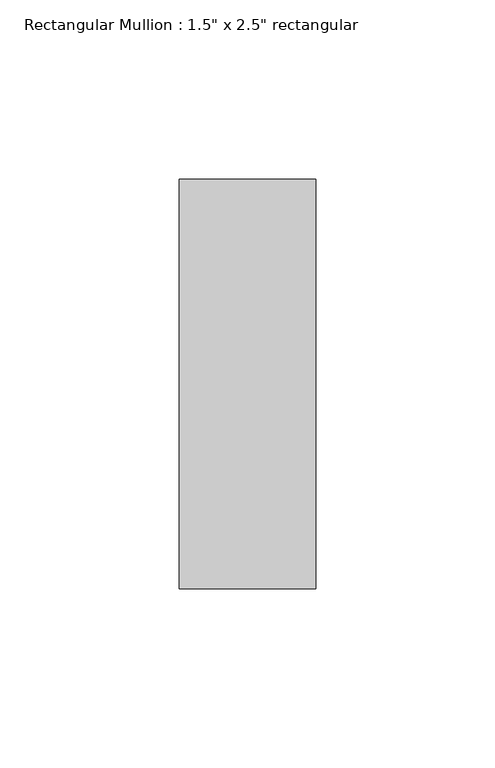
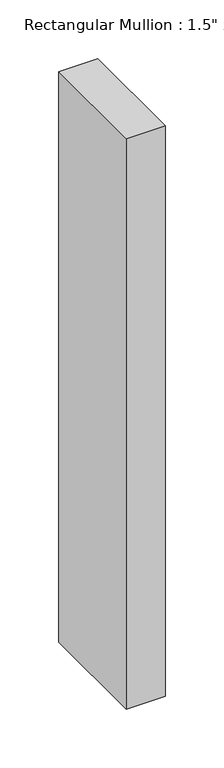
"""IFC4 building model written with IfcOpenShell, lengths in millimetres: member geometry."""

from ifc_helpers import new_model, si_unit, frame, origin, place, context, project, spatial, polyline, outline, extrude, source, transform, mapped, element, save


def member_923ed786(model_context):
    return source(origin(), model_context, "Body", "SweptSolid", [
        extrude(outline(polyline([(0.0, 57.15), (0.0, -57.15), (-38.1, -57.15), (-38.1, 57.15), (0.0, 57.15)])), frame((0.0, 0.0, -591.34375), z_axis=(0.0, 0.0, 1.0), x_axis=(1.0, 0.0, 0.0)), (0.0, 0.0, 1.0), 591.34375),
    ])


if __name__ == "__main__":
    model = new_model("IFC4")
    model_context = context("Model", 3, world=origin())
    ifc_project = project(units=[si_unit("LENGTHUNIT", "METRE", prefix="MILLI")], contexts=[model_context])
    site = spatial("IfcSite", under=ifc_project)
    building = spatial("IfcBuilding", under=site)
    placement = place(None, origin())
    member_shape = member_923ed786(model_context)
    element("IfcMember", 1, ObjectType="Rectangular Mullion : 1.5\" x 2.5\" rectangular", at=placement, inside=building, context=model_context, shape_type="MappedRepresentation", body=[
        mapped(member_shape, transform((0.0, 0.0, 0.0), x_axis=(1.0, 0.0, 0.0), y_axis=(0.0, 1.0, 0.0), z_axis=(0.0, 0.0, 1.0))),
    ])
    save(model, "model.ifc")
